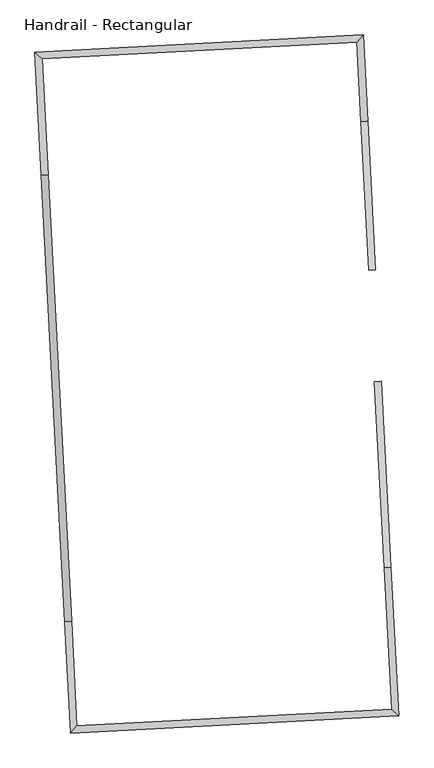
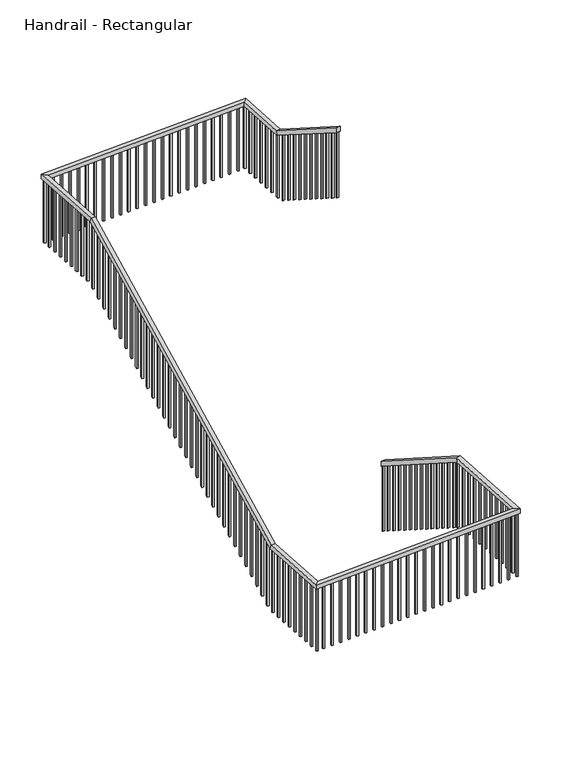
"""IFC4 building model written with IfcOpenShell, lengths in millimetres: railing geometry, Handrail - Rectangular."""

from ifc_helpers import new_model, si_unit, frame, origin, place, context, project, spatial, polyline, outline, extrude, faceted_brep, source, transform, mapped, element, save


def handrail_rectangular_93529018(model_context):
    return source(origin(), model_context, "Body", "SolidModel", [
        faceted_brep([(-3680.4110244, -27041.7227656, 1087.5818182), (-3680.4110244, -27041.7227656, 1027.8146938), (-3731.1414048, -27044.3814322, 1027.8146938), (-3731.1414048, -27044.3814322, 1087.5818182), (-3607.2976935, -28436.8082257, 1953.4909091), (-3606.5405513, -28451.2553599, 1902.6909091), (-3657.2709317, -28453.9140265, 1902.6909091), (-3658.0280739, -28439.4668922, 1953.4909091), (-3548.8070288, -29552.8765937, 1953.4909091), (-3548.8070288, -29552.8765937, 1902.6909091), (-3602.1960758, -29504.8048799, 1902.6909091), (-3602.1960758, -29504.8048799, 1953.4909091), (-6015.5717741, -29682.154256, 1953.4909091), (-6015.5717741, -29682.154256, 1902.6909091), (-5967.5000603, -29628.7652091, 1902.6909091), (-5967.5000603, -29628.7652091, 1953.4909091), (-6283.4324318, -24571.0684342, 3980.8727273), (-6283.4324318, -24571.0684342, 4031.6727273), (-3816.6676865, -24441.7907719, 4031.6727273), (-3816.6676865, -24441.7907719, 3980.8727273), (-6230.0433848, -24619.140148, 3980.8727273), (-3864.7394003, -24495.1798188, 3980.8727273), (-6230.0433848, -24619.140148, 4031.6727273), (-3864.7394003, -24495.1798188, 4031.6727273), (-3782.7696876, -25088.6031215, 4031.6727273), (-3782.0125454, -25103.0502558, 3980.8727273), (-3832.7429258, -25105.7089224, 3980.8727273), (-3833.500068, -25091.2617881, 4031.6727273), (-3724.2790229, -26204.6714896, 4724.4), (-3775.0094033, -26207.3301562, 4724.4), (-3775.0094033, -26207.3301562, 4664.6328756), (-3724.2790229, -26204.6714896, 4664.6328756), (-6059.4397726, -28845.10298, 1953.4909091), (-6060.1969149, -28830.6558457, 1902.6909091), (-6009.4665345, -28827.9971791, 1902.6909091), (-6008.7093923, -28842.4443134, 1953.4909091), (-6234.9117667, -25496.8978759, 4031.6727273), (-6235.6689089, -25482.4507416, 3980.8727273), (-6184.9385286, -25479.792075, 3980.8727273), (-6184.1813864, -25494.2392093, 4031.6727273)], [[[0, 1, 2, 3]], [[1, 0, 4, 5]], [[2, 1, 5, 6]], [[3, 2, 6, 7]], [[0, 3, 7, 4]], [[5, 4, 8, 9]], [[6, 5, 9, 10]], [[7, 6, 10, 11]], [[4, 7, 11, 8]], [[9, 8, 12, 13]], [[10, 9, 13, 14]], [[11, 10, 14, 15]], [[8, 11, 15, 12]], [[16, 17, 18, 19]], [[20, 16, 19, 21]], [[22, 20, 21, 23]], [[17, 22, 23, 18]], [[19, 18, 24, 25]], [[21, 19, 25, 26]], [[23, 21, 26, 27]], [[18, 23, 27, 24]], [[28, 29, 30, 31]], [[25, 24, 28, 31]], [[26, 25, 31, 30]], [[27, 26, 30, 29]], [[24, 27, 29, 28]], [[13, 12, 32, 33]], [[14, 13, 33, 34]], [[15, 14, 34, 35]], [[12, 15, 35, 32]], [[33, 32, 36, 37]], [[34, 33, 37, 38]], [[35, 34, 38, 39]], [[32, 35, 39, 36]], [[37, 36, 17, 16]], [[38, 37, 16, 20]], [[39, 38, 20, 22]], [[36, 39, 22, 17]]]),
        extrude(outline(polyline([(234.5039257, 19.05), (1048.9045305, 19.05), (1037.0966792, 0.0), (222.6960744, 0.0), (234.5039257, 19.05)])), frame((-3763.9749926, -26114.5505084, 4830.257669), z_axis=(0.9986295347545738, 0.052335956242946104, 0.0), x_axis=(0.0, 0.0, -1.0)), (0.0, 0.0, 1.0), 19.05),
        extrude(outline(polyline([(234.5039257, 19.05), (1048.9045305, 19.05), (1037.0966792, 0.0), (222.6960744, 0.0), (234.5039257, 19.05)])), frame((-3769.2923258, -26013.0897477, 4767.2824624), z_axis=(0.9986295347545738, 0.052335956242946104, 0.0), x_axis=(0.0, 0.0, -1.0)), (0.0, 0.0, 1.0), 19.05),
        extrude(outline(polyline([(234.5039256, 19.0500001), (1048.9045304, 19.0500001), (1037.0966791, 0.0), (222.6960743, 0.0), (234.5039256, 19.0500001)])), frame((-3774.6096589, -25911.628987, 4704.3072557), z_axis=(0.9986295347545738, 0.052335956242946104, 0.0), x_axis=(0.0, 0.0, -1.0)), (0.0, 0.0, 1.0), 19.05),
        extrude(outline(polyline([(234.5039256, 19.0500001), (1048.9045304, 19.0500001), (1037.0966792, 0.0), (222.6960744, 0.0), (234.5039256, 19.0500001)])), frame((-3779.9269921, -25810.1682263, 4641.3320491), z_axis=(0.9986295347545738, 0.052335956242946104, 0.0), x_axis=(0.0, 0.0, -1.0)), (0.0, 0.0, 1.0), 19.05),
        extrude(outline(polyline([(234.5039256, 19.05), (1048.9045304, 19.05), (1037.0966792, 0.0), (222.6960744, 0.0), (234.5039256, 19.05)])), frame((-3785.2443252, -25708.7074655, 4578.3568425), z_axis=(0.9986295347545738, 0.052335956242946104, 0.0), x_axis=(0.0, 0.0, -1.0)), (0.0, 0.0, 1.0), 19.05),
        extrude(outline(polyline([(234.5039256, 19.05), (1048.9045304, 19.05), (1037.0966792, 0.0), (222.6960744, 0.0), (234.5039256, 19.05)])), frame((-3790.5616584, -25607.2467048, 4515.3816359), z_axis=(0.9986295347545738, 0.052335956242946104, 0.0), x_axis=(0.0, 0.0, -1.0)), (0.0, 0.0, 1.0), 19.05),
        extrude(outline(polyline([(234.5039256, 19.0500001), (1048.9045304, 19.0500001), (1037.0966792, 0.0), (222.6960744, 0.0), (234.5039256, 19.0500001)])), frame((-3795.8789915, -25505.7859441, 4452.4064293), z_axis=(0.9986295347545738, 0.052335956242946104, 0.0), x_axis=(0.0, 0.0, -1.0)), (0.0, 0.0, 1.0), 19.05),
        extrude(outline(polyline([(234.5039256, 19.05), (1048.9045304, 19.05), (1037.0966792, 0.0), (222.6960744, 0.0), (234.5039256, 19.05)])), frame((-3801.1963247, -25404.3251833, 4389.4312227), z_axis=(0.9986295347545738, 0.052335956242946104, 0.0), x_axis=(0.0, 0.0, -1.0)), (0.0, 0.0, 1.0), 19.05),
        extrude(outline(polyline([(234.5039256, 19.05), (1048.9045305, 19.05), (1037.0966792, 0.0), (222.6960744, 0.0), (234.5039256, 19.05)])), frame((-3806.5136578, -25302.8644226, 4326.4560161), z_axis=(0.9986295347545738, 0.052335956242946104, 0.0), x_axis=(0.0, 0.0, -1.0)), (0.0, 0.0, 1.0), 19.05),
        extrude(outline(polyline([(234.5039257, 19.0500001), (1048.9045305, 19.0500001), (1037.0966792, 0.0), (222.6960744, 0.0), (234.5039257, 19.0500001)])), frame((-3811.830991, -25201.4036619, 4263.4808095), z_axis=(0.9986295347545738, 0.052335956242946104, 0.0), x_axis=(0.0, 0.0, -1.0)), (0.0, 0.0, 1.0), 19.05),
        extrude(outline(polyline([(-3799.7860981, -25067.2394134), (-3798.7890981, -25086.2633061), (-3817.8129908, -25087.260306), (-3818.8099908, -25068.2364134), (-3799.7860981, -25067.2394134)])), frame((0.0, 0.0, 3193.4727273), z_axis=(0.0, 0.0, 1.0), x_axis=(1.0, 0.0, 0.0)), (0.0, 0.0, 1.0), 787.4),
        extrude(outline(polyline([(-3805.1034313, -24965.7786527), (-3804.1064313, -24984.8025453), (-3823.1303239, -24985.7995453), (-3824.1273239, -24966.7756527), (-3805.1034313, -24965.7786527)])), frame((0.0, 0.0, 3193.4727273), z_axis=(0.0, 0.0, 1.0), x_axis=(1.0, 0.0, 0.0)), (0.0, 0.0, 1.0), 787.4),
        extrude(outline(polyline([(-3810.4207644, -24864.317892), (-3809.4237645, -24883.3417846), (-3828.4476571, -24884.3387846), (-3829.4446571, -24865.3148919), (-3810.4207644, -24864.317892)])), frame((0.0, 0.0, 3193.4727273), z_axis=(0.0, 0.0, 1.0), x_axis=(1.0, 0.0, 0.0)), (0.0, 0.0, 1.0), 787.4),
        extrude(outline(polyline([(-3815.7380976, -24762.8571312), (-3814.7410976, -24781.8810239), (-3833.7649902, -24782.8780239), (-3834.7619902, -24763.8541312), (-3815.7380976, -24762.8571312)])), frame((0.0, 0.0, 3193.4727273), z_axis=(0.0, 0.0, 1.0), x_axis=(1.0, 0.0, 0.0)), (0.0, 0.0, 1.0), 787.4),
        extrude(outline(polyline([(-3821.0554307, -24661.3963705), (-3820.0584308, -24680.4202632), (-3839.0823234, -24681.4172631), (-3840.0793234, -24662.3933705), (-3821.0554307, -24661.3963705)])), frame((0.0, 0.0, 3193.4727273), z_axis=(0.0, 0.0, 1.0), x_axis=(1.0, 0.0, 0.0)), (0.0, 0.0, 1.0), 787.4),
        extrude(outline(polyline([(-3826.3727639, -24559.9356098), (-3825.3757639, -24578.9595024), (-3844.3996566, -24579.9565024), (-3845.3966565, -24560.9326098), (-3826.3727639, -24559.9356098)])), frame((0.0, 0.0, 3193.4727273), z_axis=(0.0, 0.0, 1.0), x_axis=(1.0, 0.0, 0.0)), (0.0, 0.0, 1.0), 787.4),
        extrude(outline(polyline([(-3933.1508578, -24463.7921822), (-3914.1269651, -24462.7951822), (-3913.1299652, -24481.8190749), (-3932.1538578, -24482.8160748), (-3933.1508578, -24463.7921822)])), frame((0.0, 0.0, 3193.4727273), z_axis=(0.0, 0.0, 1.0), x_axis=(1.0, 0.0, 0.0)), (0.0, 0.0, 1.0), 787.4),
        extrude(outline(polyline([(-4034.6116185, -24469.1095154), (-4015.5877259, -24468.1125154), (-4014.5907259, -24487.136408), (-4033.6146185, -24488.133408), (-4034.6116185, -24469.1095154)])), frame((0.0, 0.0, 3193.4727273), z_axis=(0.0, 0.0, 1.0), x_axis=(1.0, 0.0, 0.0)), (0.0, 0.0, 1.0), 787.4),
        extrude(outline(polyline([(-4136.0723792, -24474.4268485), (-4117.0484866, -24473.4298486), (-4116.0514866, -24492.4537412), (-4135.0753793, -24493.4507412), (-4136.0723792, -24474.4268485)])), frame((0.0, 0.0, 3193.4727273), z_axis=(0.0, 0.0, 1.0), x_axis=(1.0, 0.0, 0.0)), (0.0, 0.0, 1.0), 787.4),
        extrude(outline(polyline([(-4237.53314, -24479.7441817), (-4218.5092473, -24478.7471817), (-4217.5122474, -24497.7710743), (-4236.53614, -24498.7680743), (-4237.53314, -24479.7441817)])), frame((0.0, 0.0, 3193.4727273), z_axis=(0.0, 0.0, 1.0), x_axis=(1.0, 0.0, 0.0)), (0.0, 0.0, 1.0), 787.4),
        extrude(outline(polyline([(-4338.9939007, -24485.0615148), (-4319.9700081, -24484.0645149), (-4318.9730081, -24503.0884075), (-4337.9969007, -24504.0854075), (-4338.9939007, -24485.0615148)])), frame((0.0, 0.0, 3193.4727273), z_axis=(0.0, 0.0, 1.0), x_axis=(1.0, 0.0, 0.0)), (0.0, 0.0, 1.0), 787.4),
        extrude(outline(polyline([(-4440.4546614, -24490.378848), (-4421.4307688, -24489.381848), (-4420.4337688, -24508.4057407), (-4439.4576615, -24509.4027406), (-4440.4546614, -24490.378848)])), frame((0.0, 0.0, 3193.4727273), z_axis=(0.0, 0.0, 1.0), x_axis=(1.0, 0.0, 0.0)), (0.0, 0.0, 1.0), 787.4),
        extrude(outline(polyline([(-4541.9154222, -24495.6961811), (-4522.8915295, -24494.6991812), (-4521.8945296, -24513.7230738), (-4540.9184222, -24514.7200738), (-4541.9154222, -24495.6961811)])), frame((0.0, 0.0, 3193.4727273), z_axis=(0.0, 0.0, 1.0), x_axis=(1.0, 0.0, 0.0)), (0.0, 0.0, 1.0), 787.4),
        extrude(outline(polyline([(-4643.3761829, -24501.0135143), (-4624.3522903, -24500.0165143), (-4623.3552903, -24519.040407), (-4642.3791829, -24520.0374069), (-4643.3761829, -24501.0135143)])), frame((0.0, 0.0, 3193.4727273), z_axis=(0.0, 0.0, 1.0), x_axis=(1.0, 0.0, 0.0)), (0.0, 0.0, 1.0), 787.4),
        extrude(outline(polyline([(-4744.8369436, -24506.3308474), (-4725.813051, -24505.3338475), (-4724.816051, -24524.3577401), (-4743.8399437, -24525.3547401), (-4744.8369436, -24506.3308474)])), frame((0.0, 0.0, 3193.4727273), z_axis=(0.0, 0.0, 1.0), x_axis=(1.0, 0.0, 0.0)), (0.0, 0.0, 1.0), 787.4),
        extrude(outline(polyline([(-4846.2977044, -24511.6481806), (-4827.2738117, -24510.6511806), (-4826.2768117, -24529.6750733), (-4845.3007044, -24530.6720732), (-4846.2977044, -24511.6481806)])), frame((0.0, 0.0, 3193.4727273), z_axis=(0.0, 0.0, 1.0), x_axis=(1.0, 0.0, 0.0)), (0.0, 0.0, 1.0), 787.4),
        extrude(outline(polyline([(-4947.7584651, -24516.9655138), (-4928.7345724, -24515.9685138), (-4927.7375725, -24534.9924064), (-4946.7614651, -24535.9894064), (-4947.7584651, -24516.9655138)])), frame((0.0, 0.0, 3193.4727273), z_axis=(0.0, 0.0, 1.0), x_axis=(1.0, 0.0, 0.0)), (0.0, 0.0, 1.0), 787.4),
        extrude(outline(polyline([(-5049.2192258, -24522.2828469), (-5030.1953332, -24521.2858469), (-5029.1983332, -24540.3097396), (-5048.2222258, -24541.3067395), (-5049.2192258, -24522.2828469)])), frame((0.0, 0.0, 3193.4727273), z_axis=(0.0, 0.0, 1.0), x_axis=(1.0, 0.0, 0.0)), (0.0, 0.0, 1.0), 787.4),
        extrude(outline(polyline([(-5150.6799865, -24527.6001801), (-5131.6560939, -24526.6031801), (-5130.6590939, -24545.6270727), (-5149.6829866, -24546.6240727), (-5150.6799865, -24527.6001801)])), frame((0.0, 0.0, 3193.4727273), z_axis=(0.0, 0.0, 1.0), x_axis=(1.0, 0.0, 0.0)), (0.0, 0.0, 1.0), 787.4),
        extrude(outline(polyline([(-5252.1407473, -24532.9175132), (-5233.1168546, -24531.9205132), (-5232.1198547, -24550.9444059), (-5251.1437473, -24551.9414059), (-5252.1407473, -24532.9175132)])), frame((0.0, 0.0, 3193.4727273), z_axis=(0.0, 0.0, 1.0), x_axis=(1.0, 0.0, 0.0)), (0.0, 0.0, 1.0), 787.4),
        extrude(outline(polyline([(-5353.601508, -24538.2348464), (-5334.5776154, -24537.2378464), (-5333.5806154, -24556.261739), (-5352.604508, -24557.258739), (-5353.601508, -24538.2348464)])), frame((0.0, 0.0, 3193.4727273), z_axis=(0.0, 0.0, 1.0), x_axis=(1.0, 0.0, 0.0)), (0.0, 0.0, 1.0), 787.4),
        extrude(outline(polyline([(-5455.0622687, -24543.5521795), (-5436.0383761, -24542.5551796), (-5435.0413761, -24561.5790722), (-5454.0652688, -24562.5760722), (-5455.0622687, -24543.5521795)])), frame((0.0, 0.0, 3193.4727273), z_axis=(0.0, 0.0, 1.0), x_axis=(1.0, 0.0, 0.0)), (0.0, 0.0, 1.0), 787.4),
        extrude(outline(polyline([(-5556.5230295, -24548.8695127), (-5537.4991368, -24547.8725127), (-5536.5021369, -24566.8964053), (-5555.5260295, -24567.8934053), (-5556.5230295, -24548.8695127)])), frame((0.0, 0.0, 3193.4727273), z_axis=(0.0, 0.0, 1.0), x_axis=(1.0, 0.0, 0.0)), (0.0, 0.0, 1.0), 787.4),
        extrude(outline(polyline([(-5657.9837902, -24554.1868458), (-5638.9598976, -24553.1898459), (-5637.9628976, -24572.2137385), (-5656.9867902, -24573.2107385), (-5657.9837902, -24554.1868458)])), frame((0.0, 0.0, 3193.4727273), z_axis=(0.0, 0.0, 1.0), x_axis=(1.0, 0.0, 0.0)), (0.0, 0.0, 1.0), 787.4),
        extrude(outline(polyline([(-5759.4445509, -24559.504179), (-5740.4206583, -24558.507179), (-5739.4236583, -24577.5310717), (-5758.447551, -24578.5280716), (-5759.4445509, -24559.504179)])), frame((0.0, 0.0, 3193.4727273), z_axis=(0.0, 0.0, 1.0), x_axis=(1.0, 0.0, 0.0)), (0.0, 0.0, 1.0), 787.4),
        extrude(outline(polyline([(-5860.9053117, -24564.8215121), (-5841.881419, -24563.8245122), (-5840.8844191, -24582.8484048), (-5859.9083117, -24583.8454048), (-5860.9053117, -24564.8215121)])), frame((0.0, 0.0, 3193.4727273), z_axis=(0.0, 0.0, 1.0), x_axis=(1.0, 0.0, 0.0)), (0.0, 0.0, 1.0), 787.4),
        extrude(outline(polyline([(-5962.3660724, -24570.1388453), (-5943.3421798, -24569.1418453), (-5942.3451798, -24588.165738), (-5961.3690724, -24589.1627379), (-5962.3660724, -24570.1388453)])), frame((0.0, 0.0, 3193.4727273), z_axis=(0.0, 0.0, 1.0), x_axis=(1.0, 0.0, 0.0)), (0.0, 0.0, 1.0), 787.4),
        extrude(outline(polyline([(-6063.8268331, -24575.4561784), (-6044.8029405, -24574.4591785), (-6043.8059405, -24593.4830711), (-6062.8298332, -24594.4800711), (-6063.8268331, -24575.4561784)])), frame((0.0, 0.0, 3193.4727273), z_axis=(0.0, 0.0, 1.0), x_axis=(1.0, 0.0, 0.0)), (0.0, 0.0, 1.0), 787.4),
        extrude(outline(polyline([(-6165.2875939, -24580.7735116), (-6146.2637012, -24579.7765116), (-6145.2667013, -24598.8004043), (-6164.2905939, -24599.7974042), (-6165.2875939, -24580.7735116)])), frame((0.0, 0.0, 3193.4727273), z_axis=(0.0, 0.0, 1.0), x_axis=(1.0, 0.0, 0.0)), (0.0, 0.0, 1.0), 787.4),
        extrude(outline(polyline([(-6261.0986881, -24693.892903), (-6262.0956881, -24674.8690104), (-6243.0717954, -24673.8720104), (-6242.0747955, -24692.8959031), (-6261.0986881, -24693.892903)])), frame((0.0, 0.0, 3193.4727273), z_axis=(0.0, 0.0, 1.0), x_axis=(1.0, 0.0, 0.0)), (0.0, 0.0, 1.0), 787.4),
        extrude(outline(polyline([(-6255.781355, -24795.3536638), (-6256.7783549, -24776.3297711), (-6237.7544623, -24775.3327712), (-6236.7574623, -24794.3566638), (-6255.781355, -24795.3536638)])), frame((0.0, 0.0, 3193.4727273), z_axis=(0.0, 0.0, 1.0), x_axis=(1.0, 0.0, 0.0)), (0.0, 0.0, 1.0), 787.4),
        extrude(outline(polyline([(-6250.4640218, -24896.8144245), (-6251.4610218, -24877.7905319), (-6232.4371291, -24876.7935319), (-6231.4401292, -24895.8174245), (-6250.4640218, -24896.8144245)])), frame((0.0, 0.0, 3193.4727273), z_axis=(0.0, 0.0, 1.0), x_axis=(1.0, 0.0, 0.0)), (0.0, 0.0, 1.0), 787.4),
        extrude(outline(polyline([(-6245.1466886, -24998.2751852), (-6246.1436886, -24979.2512926), (-6227.119796, -24978.2542926), (-6226.122796, -24997.2781853), (-6245.1466886, -24998.2751852)])), frame((0.0, 0.0, 3193.4727273), z_axis=(0.0, 0.0, 1.0), x_axis=(1.0, 0.0, 0.0)), (0.0, 0.0, 1.0), 787.4),
        extrude(outline(polyline([(-6239.8293555, -25099.735946), (-6240.8263555, -25080.7120533), (-6221.8024628, -25079.7150534), (-6220.8054629, -25098.738946), (-6239.8293555, -25099.735946)])), frame((0.0, 0.0, 3193.4727273), z_axis=(0.0, 0.0, 1.0), x_axis=(1.0, 0.0, 0.0)), (0.0, 0.0, 1.0), 787.4),
        extrude(outline(polyline([(-6234.5120223, -25201.1967067), (-6235.5090223, -25182.1728141), (-6216.4851297, -25181.1758141), (-6215.4881297, -25200.1997067), (-6234.5120223, -25201.1967067)])), frame((0.0, 0.0, 3193.4727273), z_axis=(0.0, 0.0, 1.0), x_axis=(1.0, 0.0, 0.0)), (0.0, 0.0, 1.0), 787.4),
        extrude(outline(polyline([(-6229.1946892, -25302.6574674), (-6230.1916892, -25283.6335748), (-6211.1677965, -25282.6365748), (-6210.1707965, -25301.6604675), (-6229.1946892, -25302.6574674)])), frame((0.0, 0.0, 3193.4727273), z_axis=(0.0, 0.0, 1.0), x_axis=(1.0, 0.0, 0.0)), (0.0, 0.0, 1.0), 787.4),
        extrude(outline(polyline([(-6223.877356, -25404.1182282), (-6224.874356, -25385.0943355), (-6205.8504634, -25384.0973355), (-6204.8534634, -25403.1212282), (-6223.877356, -25404.1182282)])), frame((0.0, 0.0, 3193.4727273), z_axis=(0.0, 0.0, 1.0), x_axis=(1.0, 0.0, 0.0)), (0.0, 0.0, 1.0), 787.4),
        extrude(outline(polyline([(222.6960743, 19.05), (1037.0966792, 19.05), (1048.9045304, 0.0), (234.5039256, 0.0), (222.6960743, 19.05)])), frame((-6213.2426897, -25607.0397496, 4137.5303962), z_axis=(0.9986295347545738, 0.052335956242946104, 0.0), x_axis=(0.0, 0.0, -1.0)), (0.0, 0.0, 1.0), 19.05),
        extrude(outline(polyline([(222.6960744, 19.05), (1037.0966792, 19.05), (1048.9045304, 0.0), (234.5039256, 0.0), (222.6960744, 19.05)])), frame((-6207.9253566, -25708.5005103, 4074.5551896), z_axis=(0.9986295347545738, 0.052335956242946104, 0.0), x_axis=(0.0, 0.0, -1.0)), (0.0, 0.0, 1.0), 19.05),
        extrude(outline(polyline([(222.6960744, 19.0500001), (1037.0966792, 19.0500001), (1048.9045304, 0.0), (234.5039256, 0.0), (222.6960744, 19.0500001)])), frame((-6202.6080234, -25809.9612711, 4011.579983), z_axis=(0.9986295347545738, 0.052335956242946104, 0.0), x_axis=(0.0, 0.0, -1.0)), (0.0, 0.0, 1.0), 19.05),
        extrude(outline(polyline([(222.6960744, 19.05), (1037.0966792, 19.05), (1048.9045304, 0.0), (234.5039256, 0.0), (222.6960744, 19.05)])), frame((-6197.2906903, -25911.4220318, 3948.6047764), z_axis=(0.9986295347545738, 0.052335956242946104, 0.0), x_axis=(0.0, 0.0, -1.0)), (0.0, 0.0, 1.0), 19.05),
        extrude(outline(polyline([(222.6960744, 19.05), (1037.0966792, 19.05), (1048.9045304, 0.0), (234.5039256, 0.0), (222.6960744, 19.05)])), frame((-6191.9733571, -26012.8827925, 3885.6295698), z_axis=(0.9986295347545738, 0.052335956242946104, 0.0), x_axis=(0.0, 0.0, -1.0)), (0.0, 0.0, 1.0), 19.05),
        extrude(outline(polyline([(222.6960744, 19.0500001), (1037.0966792, 19.0500001), (1048.9045304, 0.0), (234.5039256, 0.0), (222.6960744, 19.0500001)])), frame((-6186.656024, -26114.3435533, 3822.6543632), z_axis=(0.9986295347545738, 0.052335956242946104, 0.0), x_axis=(0.0, 0.0, -1.0)), (0.0, 0.0, 1.0), 19.05),
        extrude(outline(polyline([(222.6960744, 19.05), (1037.0966792, 19.05), (1048.9045305, 0.0), (234.5039257, 0.0), (222.6960744, 19.05)])), frame((-6181.3386908, -26215.804314, 3759.6791566), z_axis=(0.9986295347545738, 0.052335956242946104, 0.0), x_axis=(0.0, 0.0, -1.0)), (0.0, 0.0, 1.0), 19.05),
        extrude(outline(polyline([(222.6960744, 19.05), (1037.0966792, 19.05), (1048.9045305, 0.0), (234.5039257, 0.0), (222.6960744, 19.05)])), frame((-6176.0213576, -26317.2650747, 3696.70395), z_axis=(0.9986295347545738, 0.052335956242946104, 0.0), x_axis=(0.0, 0.0, -1.0)), (0.0, 0.0, 1.0), 19.05),
        extrude(outline(polyline([(222.6960743, 19.0500001), (1037.0966791, 19.0500001), (1048.9045304, 0.0), (234.5039256, 0.0), (222.6960743, 19.0500001)])), frame((-6170.7040245, -26418.7258355, 3633.7287433), z_axis=(0.9986295347545738, 0.052335956242946104, 0.0), x_axis=(0.0, 0.0, -1.0)), (0.0, 0.0, 1.0), 19.05),
        extrude(outline(polyline([(222.6960743, 19.05), (1037.0966792, 19.05), (1048.9045304, 0.0), (234.5039256, 0.0), (222.6960743, 19.05)])), frame((-6165.3866913, -26520.1865962, 3570.7535367), z_axis=(0.9986295347545738, 0.052335956242946104, 0.0), x_axis=(0.0, 0.0, -1.0)), (0.0, 0.0, 1.0), 19.05),
        extrude(outline(polyline([(222.6960744, 19.05), (1037.0966792, 19.05), (1048.9045304, 0.0), (234.5039256, 0.0), (222.6960744, 19.05)])), frame((-6160.0693582, -26621.6473569, 3507.7783301), z_axis=(0.9986295347545738, 0.052335956242946104, 0.0), x_axis=(0.0, 0.0, -1.0)), (0.0, 0.0, 1.0), 19.05),
        extrude(outline(polyline([(222.6960744, 19.0500001), (1037.0966792, 19.0500001), (1048.9045304, 0.0), (234.5039256, 0.0), (222.6960744, 19.0500001)])), frame((-6154.752025, -26723.1081177, 3444.8031235), z_axis=(0.9986295347545738, 0.052335956242946104, 0.0), x_axis=(0.0, 0.0, -1.0)), (0.0, 0.0, 1.0), 19.05),
        extrude(outline(polyline([(222.6960744, 19.0500001), (1037.0966792, 19.0500001), (1048.9045304, 0.0), (234.5039256, 0.0), (222.6960744, 19.0500001)])), frame((-6149.4346919, -26824.5688784, 3381.8279169), z_axis=(0.9986295347545738, 0.052335956242946104, 0.0), x_axis=(0.0, 0.0, -1.0)), (0.0, 0.0, 1.0), 19.05),
        extrude(outline(polyline([(222.6960744, 19.05), (1037.0966792, 19.05), (1048.9045304, 0.0), (234.5039256, 0.0), (222.6960744, 19.05)])), frame((-6144.1173587, -26926.0296391, 3318.8527103), z_axis=(0.9986295347545738, 0.052335956242946104, 0.0), x_axis=(0.0, 0.0, -1.0)), (0.0, 0.0, 1.0), 19.05),
        extrude(outline(polyline([(222.6960744, 19.05), (1037.0966792, 19.05), (1048.9045305, 0.0), (234.5039256, 0.0), (222.6960744, 19.05)])), frame((-6138.8000256, -27027.4903998, 3255.8775037), z_axis=(0.9986295347545738, 0.052335956242946104, 0.0), x_axis=(0.0, 0.0, -1.0)), (0.0, 0.0, 1.0), 19.05),
        extrude(outline(polyline([(222.6960744, 19.0500001), (1037.0966792, 19.0500001), (1048.9045305, 0.0), (234.5039257, 0.0), (222.6960744, 19.0500001)])), frame((-6133.4826924, -27128.9511606, 3192.9022971), z_axis=(0.9986295347545738, 0.052335956242946104, 0.0), x_axis=(0.0, 0.0, -1.0)), (0.0, 0.0, 1.0), 19.05),
        extrude(outline(polyline([(222.6960744, 19.05), (1037.0966792, 19.05), (1048.9045305, 0.0), (234.5039257, 0.0), (222.6960744, 19.05)])), frame((-6128.1653593, -27230.4119213, 3129.9270905), z_axis=(0.9986295347545738, 0.052335956242946104, 0.0), x_axis=(0.0, 0.0, -1.0)), (0.0, 0.0, 1.0), 19.05),
        extrude(outline(polyline([(222.6960743, 19.05), (1037.0966791, 19.05), (1048.9045304, 0.0), (234.5039256, 0.0), (222.6960743, 19.05)])), frame((-6122.8480261, -27331.872682, 3066.9518838), z_axis=(0.9986295347545738, 0.052335956242946104, 0.0), x_axis=(0.0, 0.0, -1.0)), (0.0, 0.0, 1.0), 19.05),
        extrude(outline(polyline([(222.6960744, 19.0500001), (1037.0966792, 19.0500001), (1048.9045304, 0.0), (234.5039256, 0.0), (222.6960744, 19.0500001)])), frame((-6117.5306929, -27433.3334428, 3003.9766772), z_axis=(0.9986295347545738, 0.052335956242946104, 0.0), x_axis=(0.0, 0.0, -1.0)), (0.0, 0.0, 1.0), 19.05),
        extrude(outline(polyline([(222.6960744, 19.05), (1037.0966792, 19.05), (1048.9045304, 0.0), (234.5039256, 0.0), (222.6960744, 19.05)])), frame((-6112.2133598, -27534.7942035, 2941.0014706), z_axis=(0.9986295347545738, 0.052335956242946104, 0.0), x_axis=(0.0, 0.0, -1.0)), (0.0, 0.0, 1.0), 19.05),
        extrude(outline(polyline([(222.6960744, 19.05), (1037.0966792, 19.05), (1048.9045304, 0.0), (234.5039256, 0.0), (222.6960744, 19.05)])), frame((-6106.8960266, -27636.2549642, 2878.026264), z_axis=(0.9986295347545738, 0.052335956242946104, 0.0), x_axis=(0.0, 0.0, -1.0)), (0.0, 0.0, 1.0), 19.05),
        extrude(outline(polyline([(222.6960744, 19.0500001), (1037.0966792, 19.0500001), (1048.9045304, 0.0), (234.5039256, 0.0), (222.6960744, 19.0500001)])), frame((-6101.5786935, -27737.715725, 2815.0510574), z_axis=(0.9986295347545738, 0.052335956242946104, 0.0), x_axis=(0.0, 0.0, -1.0)), (0.0, 0.0, 1.0), 19.05),
        extrude(outline(polyline([(222.6960744, 19.05), (1037.0966792, 19.05), (1048.9045304, 0.0), (234.5039256, 0.0), (222.6960744, 19.05)])), frame((-6096.2613603, -27839.1764857, 2752.0758508), z_axis=(0.9986295347545738, 0.052335956242946104, 0.0), x_axis=(0.0, 0.0, -1.0)), (0.0, 0.0, 1.0), 19.05),
        extrude(outline(polyline([(222.6960744, 19.05), (1037.0966792, 19.05), (1048.9045305, 0.0), (234.5039256, 0.0), (222.6960744, 19.05)])), frame((-6090.9440272, -27940.6372464, 2689.1006442), z_axis=(0.9986295347545738, 0.052335956242946104, 0.0), x_axis=(0.0, 0.0, -1.0)), (0.0, 0.0, 1.0), 19.05),
        extrude(outline(polyline([(222.6960744, 19.0500001), (1037.0966792, 19.0500001), (1048.9045305, 0.0), (234.5039257, 0.0), (222.6960744, 19.0500001)])), frame((-6085.626694, -28042.0980072, 2626.1254376), z_axis=(0.9986295347545738, 0.052335956242946104, 0.0), x_axis=(0.0, 0.0, -1.0)), (0.0, 0.0, 1.0), 19.05),
        extrude(outline(polyline([(222.6960743, 19.05), (1037.0966791, 19.05), (1048.9045304, 0.0), (234.5039256, 0.0), (222.6960743, 19.05)])), frame((-6080.3093609, -28143.5587679, 2563.1502309), z_axis=(0.9986295347545738, 0.052335956242946104, 0.0), x_axis=(0.0, 0.0, -1.0)), (0.0, 0.0, 1.0), 19.05),
        extrude(outline(polyline([(222.6960743, 19.05), (1037.0966792, 19.05), (1048.9045304, 0.0), (234.5039256, 0.0), (222.6960743, 19.05)])), frame((-6074.9920277, -28245.0195286, 2500.1750243), z_axis=(0.9986295347545738, 0.052335956242946104, 0.0), x_axis=(0.0, 0.0, -1.0)), (0.0, 0.0, 1.0), 19.05),
        extrude(outline(polyline([(222.6960744, 19.0500001), (1037.0966792, 19.0500001), (1048.9045304, 0.0), (234.5039256, 0.0), (222.6960744, 19.0500001)])), frame((-6069.6746946, -28346.4802894, 2437.1998177), z_axis=(0.9986295347545738, 0.052335956242946104, 0.0), x_axis=(0.0, 0.0, -1.0)), (0.0, 0.0, 1.0), 19.05),
        extrude(outline(polyline([(222.6960744, 19.0500001), (1037.0966792, 19.0500001), (1048.9045304, 0.0), (234.5039256, 0.0), (222.6960744, 19.0500001)])), frame((-6064.3573614, -28447.9410501, 2374.2246111), z_axis=(0.9986295347545738, 0.052335956242946104, 0.0), x_axis=(0.0, 0.0, -1.0)), (0.0, 0.0, 1.0), 19.05),
        extrude(outline(polyline([(222.6960744, 19.05), (1037.0966792, 19.05), (1048.9045304, 0.0), (234.5039256, 0.0), (222.6960744, 19.05)])), frame((-6059.0400282, -28549.4018108, 2311.2494045), z_axis=(0.9986295347545738, 0.052335956242946104, 0.0), x_axis=(0.0, 0.0, -1.0)), (0.0, 0.0, 1.0), 19.05),
        extrude(outline(polyline([(222.6960744, 19.05), (1037.0966792, 19.05), (1048.9045304, 0.0), (234.5039256, 0.0), (222.6960744, 19.05)])), frame((-6053.7226951, -28650.8625715, 2248.2741979), z_axis=(0.9986295347545738, 0.052335956242946104, 0.0), x_axis=(0.0, 0.0, -1.0)), (0.0, 0.0, 1.0), 19.05),
        extrude(outline(polyline([(222.6960744, 19.0500001), (1037.0966792, 19.0500001), (1048.9045305, 0.0), (234.5039256, 0.0), (222.6960744, 19.0500001)])), frame((-6048.4053619, -28752.3233323, 2185.2989913), z_axis=(0.9986295347545738, 0.052335956242946104, 0.0), x_axis=(0.0, 0.0, -1.0)), (0.0, 0.0, 1.0), 19.05),
        extrude(outline(polyline([(-6037.7706956, -28955.2448537), (-6038.7676956, -28936.2209611), (-6019.743803, -28935.2239611), (-6018.746803, -28954.2478538), (-6037.7706956, -28955.2448537)])), frame((0.0, 0.0, 1115.2909091), z_axis=(0.0, 0.0, 1.0), x_axis=(1.0, 0.0, 0.0)), (0.0, 0.0, 1.0), 787.4),
        extrude(outline(polyline([(-6032.4533625, -29056.7056145), (-6033.4503624, -29037.6817218), (-6014.4264698, -29036.6847219), (-6013.4294698, -29055.7086145), (-6032.4533625, -29056.7056145)])), frame((0.0, 0.0, 1115.2909091), z_axis=(0.0, 0.0, 1.0), x_axis=(1.0, 0.0, 0.0)), (0.0, 0.0, 1.0), 787.4),
        extrude(outline(polyline([(-6027.1360293, -29158.1663752), (-6028.1330293, -29139.1424826), (-6009.1091367, -29138.1454826), (-6008.1121367, -29157.1693752), (-6027.1360293, -29158.1663752)])), frame((0.0, 0.0, 1115.2909091), z_axis=(0.0, 0.0, 1.0), x_axis=(1.0, 0.0, 0.0)), (0.0, 0.0, 1.0), 787.4),
        extrude(outline(polyline([(-6021.8186962, -29259.6271359), (-6022.8156961, -29240.6032433), (-6003.7918035, -29239.6062433), (-6002.7948035, -29258.630136), (-6021.8186962, -29259.6271359)])), frame((0.0, 0.0, 1115.2909091), z_axis=(0.0, 0.0, 1.0), x_axis=(1.0, 0.0, 0.0)), (0.0, 0.0, 1.0), 787.4),
        extrude(outline(polyline([(-6016.501363, -29361.0878967), (-6017.498363, -29342.064004), (-5998.4744703, -29341.0670041), (-5997.4774704, -29360.0908967), (-6016.501363, -29361.0878967)])), frame((0.0, 0.0, 1115.2909091), z_axis=(0.0, 0.0, 1.0), x_axis=(1.0, 0.0, 0.0)), (0.0, 0.0, 1.0), 787.4),
        extrude(outline(polyline([(-6011.1840299, -29462.5486574), (-6012.1810298, -29443.5247648), (-5993.1571372, -29442.5277648), (-5992.1601372, -29461.5516574), (-6011.1840299, -29462.5486574)])), frame((0.0, 0.0, 1115.2909091), z_axis=(0.0, 0.0, 1.0), x_axis=(1.0, 0.0, 0.0)), (0.0, 0.0, 1.0), 787.4),
        extrude(outline(polyline([(-6005.8666967, -29564.0094181), (-6006.8636967, -29544.9855255), (-5987.839804, -29543.9885255), (-5986.8428041, -29563.0124182), (-6005.8666967, -29564.0094181)])), frame((0.0, 0.0, 1115.2909091), z_axis=(0.0, 0.0, 1.0), x_axis=(1.0, 0.0, 0.0)), (0.0, 0.0, 1.0), 787.4),
        extrude(outline(polyline([(-5899.0886028, -29660.1528457), (-5918.1124955, -29661.1498457), (-5919.1094954, -29642.125953), (-5900.0856028, -29641.1289531), (-5899.0886028, -29660.1528457)])), frame((0.0, 0.0, 1115.2909091), z_axis=(0.0, 0.0, 1.0), x_axis=(1.0, 0.0, 0.0)), (0.0, 0.0, 1.0), 787.4),
        extrude(outline(polyline([(-5797.6278421, -29654.8355125), (-5816.6517347, -29655.8325125), (-5817.6487347, -29636.8086199), (-5798.6248421, -29635.8116199), (-5797.6278421, -29654.8355125)])), frame((0.0, 0.0, 1115.2909091), z_axis=(0.0, 0.0, 1.0), x_axis=(1.0, 0.0, 0.0)), (0.0, 0.0, 1.0), 787.4),
        extrude(outline(polyline([(-5696.1670814, -29649.5181794), (-5715.190974, -29650.5151794), (-5716.187974, -29631.4912867), (-5697.1640813, -29630.4942868), (-5696.1670814, -29649.5181794)])), frame((0.0, 0.0, 1115.2909091), z_axis=(0.0, 0.0, 1.0), x_axis=(1.0, 0.0, 0.0)), (0.0, 0.0, 1.0), 787.4),
        extrude(outline(polyline([(-5594.7063206, -29644.2008462), (-5613.7302133, -29645.1978462), (-5614.7272132, -29626.1739536), (-5595.7033206, -29625.1769536), (-5594.7063206, -29644.2008462)])), frame((0.0, 0.0, 1115.2909091), z_axis=(0.0, 0.0, 1.0), x_axis=(1.0, 0.0, 0.0)), (0.0, 0.0, 1.0), 787.4),
        extrude(outline(polyline([(-5493.2455599, -29638.8835131), (-5512.2694525, -29639.8805131), (-5513.2664525, -29620.8566204), (-5494.2425599, -29619.8596204), (-5493.2455599, -29638.8835131)])), frame((0.0, 0.0, 1115.2909091), z_axis=(0.0, 0.0, 1.0), x_axis=(1.0, 0.0, 0.0)), (0.0, 0.0, 1.0), 787.4),
        extrude(outline(polyline([(-5391.7847992, -29633.5661799), (-5410.8086918, -29634.5631799), (-5411.8056918, -29615.5392873), (-5392.7817991, -29614.5422873), (-5391.7847992, -29633.5661799)])), frame((0.0, 0.0, 1115.2909091), z_axis=(0.0, 0.0, 1.0), x_axis=(1.0, 0.0, 0.0)), (0.0, 0.0, 1.0), 787.4),
        extrude(outline(polyline([(-5290.3240384, -29628.2488468), (-5309.3479311, -29629.2458467), (-5310.344931, -29610.2219541), (-5291.3210384, -29609.2249541), (-5290.3240384, -29628.2488468)])), frame((0.0, 0.0, 1115.2909091), z_axis=(0.0, 0.0, 1.0), x_axis=(1.0, 0.0, 0.0)), (0.0, 0.0, 1.0), 787.4),
        extrude(outline(polyline([(-5188.8632777, -29622.9315136), (-5207.8871703, -29623.9285136), (-5208.8841703, -29604.904621), (-5189.8602777, -29603.907621), (-5188.8632777, -29622.9315136)])), frame((0.0, 0.0, 1115.2909091), z_axis=(0.0, 0.0, 1.0), x_axis=(1.0, 0.0, 0.0)), (0.0, 0.0, 1.0), 787.4),
        extrude(outline(polyline([(-5087.402517, -29617.6141805), (-5106.4264096, -29618.6111804), (-5107.4234096, -29599.5872878), (-5088.3995169, -29598.5902878), (-5087.402517, -29617.6141805)])), frame((0.0, 0.0, 1115.2909091), z_axis=(0.0, 0.0, 1.0), x_axis=(1.0, 0.0, 0.0)), (0.0, 0.0, 1.0), 787.4),
        extrude(outline(polyline([(-4985.9417562, -29612.2968473), (-5004.9656489, -29613.2938473), (-5005.9626488, -29594.2699546), (-4986.9387562, -29593.2729547), (-4985.9417562, -29612.2968473)])), frame((0.0, 0.0, 1115.2909091), z_axis=(0.0, 0.0, 1.0), x_axis=(1.0, 0.0, 0.0)), (0.0, 0.0, 1.0), 787.4),
        extrude(outline(polyline([(-4884.4809955, -29606.9795142), (-4903.5048881, -29607.9765141), (-4904.5018881, -29588.9526215), (-4885.4779955, -29587.9556215), (-4884.4809955, -29606.9795142)])), frame((0.0, 0.0, 1115.2909091), z_axis=(0.0, 0.0, 1.0), x_axis=(1.0, 0.0, 0.0)), (0.0, 0.0, 1.0), 787.4),
        extrude(outline(polyline([(-4783.0202348, -29601.662181), (-4802.0441274, -29602.659181), (-4803.0411274, -29583.6352883), (-4784.0172347, -29582.6382884), (-4783.0202348, -29601.662181)])), frame((0.0, 0.0, 1115.2909091), z_axis=(0.0, 0.0, 1.0), x_axis=(1.0, 0.0, 0.0)), (0.0, 0.0, 1.0), 787.4),
        extrude(outline(polyline([(-4681.559474, -29596.3448479), (-4700.5833667, -29597.3418478), (-4701.5803667, -29578.3179552), (-4682.556474, -29577.3209552), (-4681.559474, -29596.3448479)])), frame((0.0, 0.0, 1115.2909091), z_axis=(0.0, 0.0, 1.0), x_axis=(1.0, 0.0, 0.0)), (0.0, 0.0, 1.0), 787.4),
        extrude(outline(polyline([(-4580.0987133, -29591.0275147), (-4599.122606, -29592.0245147), (-4600.1196059, -29573.000622), (-4581.0957133, -29572.0036221), (-4580.0987133, -29591.0275147)])), frame((0.0, 0.0, 1115.2909091), z_axis=(0.0, 0.0, 1.0), x_axis=(1.0, 0.0, 0.0)), (0.0, 0.0, 1.0), 787.4),
        extrude(outline(polyline([(-4478.6379526, -29585.7101815), (-4497.6618452, -29586.7071815), (-4498.6588452, -29567.6832889), (-4479.6349526, -29566.6862889), (-4478.6379526, -29585.7101815)])), frame((0.0, 0.0, 1115.2909091), z_axis=(0.0, 0.0, 1.0), x_axis=(1.0, 0.0, 0.0)), (0.0, 0.0, 1.0), 787.4),
        extrude(outline(polyline([(-4377.1771919, -29580.3928484), (-4396.2010845, -29581.3898484), (-4397.1980845, -29562.3659557), (-4378.1741918, -29561.3689558), (-4377.1771919, -29580.3928484)])), frame((0.0, 0.0, 1115.2909091), z_axis=(0.0, 0.0, 1.0), x_axis=(1.0, 0.0, 0.0)), (0.0, 0.0, 1.0), 787.4),
        extrude(outline(polyline([(-4275.7164311, -29575.0755152), (-4294.7403238, -29576.0725152), (-4295.7373237, -29557.0486226), (-4276.7134311, -29556.0516226), (-4275.7164311, -29575.0755152)])), frame((0.0, 0.0, 1115.2909091), z_axis=(0.0, 0.0, 1.0), x_axis=(1.0, 0.0, 0.0)), (0.0, 0.0, 1.0), 787.4),
        extrude(outline(polyline([(-4174.2556704, -29569.7581821), (-4193.279563, -29570.755182), (-4194.276563, -29551.7312894), (-4175.2526704, -29550.7342894), (-4174.2556704, -29569.7581821)])), frame((0.0, 0.0, 1115.2909091), z_axis=(0.0, 0.0, 1.0), x_axis=(1.0, 0.0, 0.0)), (0.0, 0.0, 1.0), 787.4),
        extrude(outline(polyline([(-4072.7949097, -29564.4408489), (-4091.8188023, -29565.4378489), (-4092.8158023, -29546.4139563), (-4073.7919096, -29545.4169563), (-4072.7949097, -29564.4408489)])), frame((0.0, 0.0, 1115.2909091), z_axis=(0.0, 0.0, 1.0), x_axis=(1.0, 0.0, 0.0)), (0.0, 0.0, 1.0), 787.4),
        extrude(outline(polyline([(-3971.3341489, -29559.1235158), (-3990.3580416, -29560.1205157), (-3991.3550415, -29541.0966231), (-3972.3311489, -29540.0996231), (-3971.3341489, -29559.1235158)])), frame((0.0, 0.0, 1115.2909091), z_axis=(0.0, 0.0, 1.0), x_axis=(1.0, 0.0, 0.0)), (0.0, 0.0, 1.0), 787.4),
        extrude(outline(polyline([(-3869.8733882, -29553.8061826), (-3888.8972808, -29554.8031826), (-3889.8942808, -29535.7792899), (-3870.8703882, -29534.78229), (-3869.8733882, -29553.8061826)])), frame((0.0, 0.0, 1115.2909091), z_axis=(0.0, 0.0, 1.0), x_axis=(1.0, 0.0, 0.0)), (0.0, 0.0, 1.0), 787.4),
        extrude(outline(polyline([(-3768.4126275, -29548.4888495), (-3787.4365201, -29549.4858494), (-3788.4335201, -29530.4619568), (-3769.4096274, -29529.4649568), (-3768.4126275, -29548.4888495)])), frame((0.0, 0.0, 1115.2909091), z_axis=(0.0, 0.0, 1.0), x_axis=(1.0, 0.0, 0.0)), (0.0, 0.0, 1.0), 787.4),
        extrude(outline(polyline([(-3666.9518667, -29543.1715163), (-3685.9757594, -29544.1685163), (-3686.9727593, -29525.1446236), (-3667.9488667, -29524.1476237), (-3666.9518667, -29543.1715163)])), frame((0.0, 0.0, 1115.2909091), z_axis=(0.0, 0.0, 1.0), x_axis=(1.0, 0.0, 0.0)), (0.0, 0.0, 1.0), 787.4),
        extrude(outline(polyline([(-3570.4761058, -29442.73472), (-3569.4791059, -29461.7586126), (-3588.5029985, -29462.7556126), (-3589.4999985, -29443.7317199), (-3570.4761058, -29442.73472)])), frame((0.0, 0.0, 1115.2909091), z_axis=(0.0, 0.0, 1.0), x_axis=(1.0, 0.0, 0.0)), (0.0, 0.0, 1.0), 787.4),
        extrude(outline(polyline([(-3575.793439, -29341.2739592), (-3574.796439, -29360.2978519), (-3593.8203317, -29361.2948518), (-3594.8173316, -29342.2709592), (-3575.793439, -29341.2739592)])), frame((0.0, 0.0, 1115.2909091), z_axis=(0.0, 0.0, 1.0), x_axis=(1.0, 0.0, 0.0)), (0.0, 0.0, 1.0), 787.4),
        extrude(outline(polyline([(-3581.1107721, -29239.8131985), (-3580.1137722, -29258.8370911), (-3599.1376648, -29259.8340911), (-3600.1346648, -29240.8101985), (-3581.1107721, -29239.8131985)])), frame((0.0, 0.0, 1115.2909091), z_axis=(0.0, 0.0, 1.0), x_axis=(1.0, 0.0, 0.0)), (0.0, 0.0, 1.0), 787.4),
        extrude(outline(polyline([(-3586.4281053, -29138.3524378), (-3585.4311053, -29157.3763304), (-3604.454998, -29158.3733304), (-3605.4519979, -29139.3494377), (-3586.4281053, -29138.3524378)])), frame((0.0, 0.0, 1115.2909091), z_axis=(0.0, 0.0, 1.0), x_axis=(1.0, 0.0, 0.0)), (0.0, 0.0, 1.0), 787.4),
        extrude(outline(polyline([(-3591.7454385, -29036.891677), (-3590.7484385, -29055.9155697), (-3609.7723311, -29056.9125696), (-3610.7693311, -29037.888677), (-3591.7454385, -29036.891677)])), frame((0.0, 0.0, 1115.2909091), z_axis=(0.0, 0.0, 1.0), x_axis=(1.0, 0.0, 0.0)), (0.0, 0.0, 1.0), 787.4),
        extrude(outline(polyline([(-3597.0627716, -28935.4309163), (-3596.0657716, -28954.4548089), (-3615.0896643, -28955.4518089), (-3616.0866642, -28936.4279163), (-3597.0627716, -28935.4309163)])), frame((0.0, 0.0, 1115.2909091), z_axis=(0.0, 0.0, 1.0), x_axis=(1.0, 0.0, 0.0)), (0.0, 0.0, 1.0), 787.4),
        extrude(outline(polyline([(-3602.3801048, -28833.9701556), (-3601.3831048, -28852.9940482), (-3620.4069974, -28853.9910482), (-3621.4039974, -28834.9671555), (-3602.3801048, -28833.9701556)])), frame((0.0, 0.0, 1115.2909091), z_axis=(0.0, 0.0, 1.0), x_axis=(1.0, 0.0, 0.0)), (0.0, 0.0, 1.0), 787.4),
        extrude(outline(polyline([(-3607.6974379, -28732.5093949), (-3606.700438, -28751.5332875), (-3625.7243306, -28752.5302875), (-3626.7213306, -28733.5063948), (-3607.6974379, -28732.5093949)])), frame((0.0, 0.0, 1115.2909091), z_axis=(0.0, 0.0, 1.0), x_axis=(1.0, 0.0, 0.0)), (0.0, 0.0, 1.0), 787.4),
        extrude(outline(polyline([(-3613.0147711, -28631.0486341), (-3612.0177711, -28650.0725268), (-3631.0416637, -28651.0695267), (-3632.0386637, -28632.0456341), (-3613.0147711, -28631.0486341)])), frame((0.0, 0.0, 1115.2909091), z_axis=(0.0, 0.0, 1.0), x_axis=(1.0, 0.0, 0.0)), (0.0, 0.0, 1.0), 787.4),
        extrude(outline(polyline([(-3618.3321042, -28529.5878734), (-3617.3351043, -28548.611766), (-3636.3589969, -28549.608766), (-3637.3559969, -28530.5848734), (-3618.3321042, -28529.5878734)])), frame((0.0, 0.0, 1115.2909091), z_axis=(0.0, 0.0, 1.0), x_axis=(1.0, 0.0, 0.0)), (0.0, 0.0, 1.0), 787.4),
        extrude(outline(polyline([(234.5039256, 19.05), (1048.9045304, 19.05), (1037.0966792, 0.0), (222.6960744, 0.0), (234.5039256, 19.05)])), frame((-3645.6643299, -28372.0524347, 2075.0923797), z_axis=(0.9986295347545737, 0.05233595624294803, 0.0), x_axis=(0.0, 0.0, -1.0)), (0.0, 0.0, 1.0), 19.05),
        extrude(outline(polyline([(234.5039256, 19.0500001), (1048.9045304, 19.0500001), (1037.0966792, 0.0), (222.6960744, 0.0), (234.5039256, 19.0500001)])), frame((-3650.9816631, -28270.591674, 2012.1171731), z_axis=(0.9986295347545737, 0.05233595624294803, 0.0), x_axis=(0.0, 0.0, -1.0)), (0.0, 0.0, 1.0), 19.05),
        extrude(outline(polyline([(234.5039256, 19.0500001), (1048.9045304, 19.0500001), (1037.0966792, 0.0), (222.6960744, 0.0), (234.5039256, 19.0500001)])), frame((-3656.2989962, -28169.1309133, 1949.1419665), z_axis=(0.9986295347545737, 0.05233595624294803, 0.0), x_axis=(0.0, 0.0, -1.0)), (0.0, 0.0, 1.0), 19.05),
        extrude(outline(polyline([(234.5039256, 19.05), (1048.9045305, 19.05), (1037.0966792, 0.0), (222.6960744, 0.0), (234.5039256, 19.05)])), frame((-3661.6163294, -28067.6701525, 1886.1667599), z_axis=(0.9986295347545737, 0.05233595624294803, 0.0), x_axis=(0.0, 0.0, -1.0)), (0.0, 0.0, 1.0), 19.05),
        extrude(outline(polyline([(234.5039257, 19.05), (1048.9045305, 19.05), (1037.0966792, 0.0), (222.6960744, 0.0), (234.5039257, 19.05)])), frame((-3666.9336625, -27966.2093918, 1823.1915533), z_axis=(0.9986295347545737, 0.05233595624294803, 0.0), x_axis=(0.0, 0.0, -1.0)), (0.0, 0.0, 1.0), 19.05),
        extrude(outline(polyline([(234.5039257, 19.0500001), (1048.9045305, 19.0500001), (1037.0966792, 0.0), (222.6960744, 0.0), (234.5039257, 19.0500001)])), frame((-3672.2509957, -27864.7486311, 1760.2163467), z_axis=(0.9986295347545737, 0.05233595624294803, 0.0), x_axis=(0.0, 0.0, -1.0)), (0.0, 0.0, 1.0), 19.05),
        extrude(outline(polyline([(234.5039256, 19.05), (1048.9045304, 19.05), (1037.0966792, 0.0), (222.6960743, 0.0), (234.5039256, 19.05)])), frame((-3677.5683288, -27763.2878703, 1697.24114), z_axis=(0.9986295347545737, 0.05233595624294803, 0.0), x_axis=(0.0, 0.0, -1.0)), (0.0, 0.0, 1.0), 19.05),
        extrude(outline(polyline([(234.5039256, 19.05), (1048.9045304, 19.05), (1037.0966792, 0.0), (222.6960744, 0.0), (234.5039256, 19.05)])), frame((-3682.885662, -27661.8271096, 1634.2659334), z_axis=(0.9986295347545737, 0.05233595624294803, 0.0), x_axis=(0.0, 0.0, -1.0)), (0.0, 0.0, 1.0), 19.05),
        extrude(outline(polyline([(234.5039256, 19.0500001), (1048.9045304, 19.0500001), (1037.0966792, 0.0), (222.6960744, 0.0), (234.5039256, 19.0500001)])), frame((-3688.2029952, -27560.3663489, 1571.2907268), z_axis=(0.9986295347545737, 0.05233595624294803, 0.0), x_axis=(0.0, 0.0, -1.0)), (0.0, 0.0, 1.0), 19.05),
        extrude(outline(polyline([(234.5039256, 19.05), (1048.9045304, 19.05), (1037.0966792, 0.0), (222.6960744, 0.0), (234.5039256, 19.05)])), frame((-3693.5203283, -27458.9055881, 1508.3155202), z_axis=(0.9986295347545737, 0.05233595624294803, 0.0), x_axis=(0.0, 0.0, -1.0)), (0.0, 0.0, 1.0), 19.05),
        extrude(outline(polyline([(234.5039256, 19.05), (1048.9045304, 19.05), (1037.0966792, 0.0), (222.6960744, 0.0), (234.5039256, 19.05)])), frame((-3698.8376615, -27357.4448274, 1445.3403136), z_axis=(0.9986295347545737, 0.05233595624294803, 0.0), x_axis=(0.0, 0.0, -1.0)), (0.0, 0.0, 1.0), 19.05),
        extrude(outline(polyline([(234.5039256, 19.0500001), (1048.9045304, 19.0500001), (1037.0966792, 0.0), (222.6960744, 0.0), (234.5039256, 19.0500001)])), frame((-3704.1549946, -27255.9840667, 1382.365107), z_axis=(0.9986295347545737, 0.05233595624294803, 0.0), x_axis=(0.0, 0.0, -1.0)), (0.0, 0.0, 1.0), 19.05),
        extrude(outline(polyline([(234.5039257, 19.05), (1048.9045305, 19.05), (1037.0966792, 0.0), (222.6960744, 0.0), (234.5039257, 19.05)])), frame((-3709.4723278, -27154.5233059, 1319.3899004), z_axis=(0.9986295347545737, 0.05233595624294803, 0.0), x_axis=(0.0, 0.0, -1.0)), (0.0, 0.0, 1.0), 19.05),
        extrude(outline(polyline([(-3799.1214315, -25079.9220085), (-3798.1244315, -25098.9459012), (-3817.1483241, -25099.9429011), (-3818.1453241, -25080.9190085), (-3799.1214315, -25079.9220085)])), frame((0.0, 0.0, 3193.4727273), z_axis=(0.0, 0.0, 1.0), x_axis=(1.0, 0.0, 0.0)), (0.0, 0.0, 1.0), 787.4),
        extrude(outline(polyline([(-3850.7139897, -24459.471849), (-3831.690097, -24458.4748491), (-3830.6930971, -24477.4987417), (-3849.7169897, -24478.4957417), (-3850.7139897, -24459.471849)])), frame((0.0, 0.0, 3193.4727273), z_axis=(0.0, 0.0, 1.0), x_axis=(1.0, 0.0, 0.0)), (0.0, 0.0, 1.0), 787.4),
        extrude(outline(polyline([(-6265.7513546, -24605.1147374), (-6266.7483546, -24586.0908448), (-6247.7244619, -24585.0938448), (-6246.727462, -24604.1177374), (-6265.7513546, -24605.1147374)])), frame((0.0, 0.0, 3193.4727273), z_axis=(0.0, 0.0, 1.0), x_axis=(1.0, 0.0, 0.0)), (0.0, 0.0, 1.0), 787.4),
        extrude(outline(polyline([(222.6960743, 19.0500001), (1037.0966791, 19.0500001), (1048.9045304, 0.0), (234.5039256, 0.0), (222.6960743, 19.0500001)])), frame((-6218.5600229, -25505.5789889, 4200.5056028), z_axis=(0.9986295347545738, 0.052335956242946104, 0.0), x_axis=(0.0, 0.0, -1.0)), (0.0, 0.0, 1.0), 19.05),
        extrude(outline(polyline([(-6043.0880288, -28853.784093), (-6044.0850288, -28834.7602004), (-6025.0611361, -28833.7632004), (-6024.0641361, -28852.787093), (-6043.0880288, -28853.784093)])), frame((0.0, 0.0, 1115.2909091), z_axis=(0.0, 0.0, 1.0), x_axis=(1.0, 0.0, 0.0)), (0.0, 0.0, 1.0), 787.4),
        extrude(outline(polyline([(-5981.5254709, -29664.4731789), (-6000.5493636, -29665.4701789), (-6001.5463635, -29646.4462862), (-5982.5224709, -29645.4492863), (-5981.5254709, -29664.4731789)])), frame((0.0, 0.0, 1115.2909091), z_axis=(0.0, 0.0, 1.0), x_axis=(1.0, 0.0, 0.0)), (0.0, 0.0, 1.0), 787.4),
        extrude(outline(polyline([(-3566.488106, -29518.8302905), (-3565.491106, -29537.8541832), (-3584.5149986, -29538.8511831), (-3585.5119986, -29519.8272905), (-3566.488106, -29518.8302905)])), frame((0.0, 0.0, 1115.2909091), z_axis=(0.0, 0.0, 1.0), x_axis=(1.0, 0.0, 0.0)), (0.0, 0.0, 1.0), 787.4),
        extrude(outline(polyline([(234.5039257, 19.0500001), (1048.9045305, 19.0500001), (1037.0966792, 0.0), (222.6960744, 0.0), (234.5039257, 19.0500001)])), frame((-3641.6763301, -28448.1480053, 2122.3237847), z_axis=(0.9986295347545737, 0.05233595624294803, 0.0), x_axis=(0.0, 0.0, -1.0)), (0.0, 0.0, 1.0), 19.05),
        extrude(outline(polyline([(234.5039257, 19.0500001), (1048.9045305, 19.0500001), (1037.0966792, 0.0), (222.6960744, 0.0), (234.5039257, 19.0500001)])), frame((-3759.1561594, -26206.4993229, 4887.32895), z_axis=(0.9986295347545738, 0.052335956242946104, 0.0), x_axis=(0.0, 0.0, -1.0)), (0.0, 0.0, 1.0), 19.05),
        extrude(outline(polyline([(234.5039256, 19.05), (1048.9045305, 19.05), (1037.0966792, 0.0), (222.6960744, 0.0), (234.5039256, 19.05)])), frame((-3714.2911609, -27062.5744915, 1262.3186194), z_axis=(0.9986295347545737, 0.05233595624294803, 0.0), x_axis=(0.0, 0.0, -1.0)), (0.0, 0.0, 1.0), 19.05),
    ])


if __name__ == "__main__":
    model = new_model("IFC4")
    model_context = context("Model", 3, world=origin())
    ifc_project = project(units=[si_unit("LENGTHUNIT", "METRE", prefix="MILLI")], contexts=[model_context])
    site = spatial("IfcSite", under=ifc_project)
    building = spatial("IfcBuilding", under=site)
    placement = place(None, origin())
    handrail_rectangular_shape = handrail_rectangular_93529018(model_context)
    element("IfcRailing", 1, ObjectType="Handrail - Rectangular", at=placement, inside=building, context=model_context, shape_type="MappedRepresentation", body=[
        mapped(handrail_rectangular_shape, transform((0.0, 0.0, 0.0), x_axis=(1.0, 0.0, 0.0), y_axis=(0.0, 1.0, 0.0), z_axis=(0.0, 0.0, 1.0))),
    ])
    save(model, "model.ifc")
